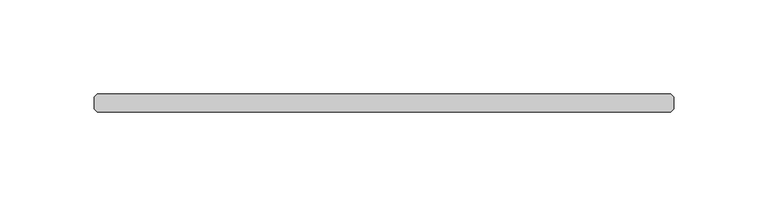
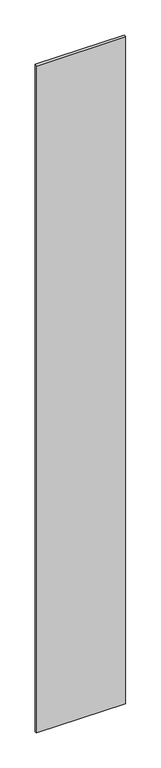
"""IFC4 building model written with IfcOpenShell, lengths in millimetres: plate geometry."""

import ifcopenshell
import ifcopenshell.guid

model = None  # the IFC model being written
_history = None  # IfcOwnerHistory: only IFC2X3 demands one
_inside = {}  # id of a spatial element -> (the spatial element, [elements in it])
_under = {}  # id of a project, library or spatial element -> (it, [spatial elements below it])
_declared = {}  # id of a project -> (the project, [libraries it declares])
_typed = {}  # id of a type object -> (the type object, [elements of that type])
_made_of = {}  # id of a material, layer set ... -> (it, [elements and type objects made of it])


def new_model(schema):
    """Start an empty IFC model of exactly this schema.

    Asked for "IFC4X3", IfcOpenShell would pick the latest addendum, in which some entities
    have other attributes; the version numbers below select the first issue.
    IFC2X3 requires an IfcOwnerHistory on every rooted entity: one is made here for all.
    """
    global model, _history
    if schema == "IFC4X3":
        model = ifcopenshell.file(schema_version=(4, 3, 0, 0))
    else:
        model = ifcopenshell.file(schema=schema)
    _inside.clear()
    _under.clear()
    _declared.clear()
    _typed.clear()
    _made_of.clear()
    _history = None
    if model.schema == "IFC2X3":
        org = make("IfcOrganization", Name="unknown")
        user = make(
            "IfcPersonAndOrganization",
            ThePerson=make("IfcPerson", FamilyName="unknown"),
            TheOrganization=org,
        )
        app = make(
            "IfcApplication",
            ApplicationDeveloper=org,
            Version="unknown",
            ApplicationFullName="unknown",
            ApplicationIdentifier="unknown",
        )
        _history = make(
            "IfcOwnerHistory",
            OwningUser=user,
            OwningApplication=app,
            ChangeAction="ADDED",
            CreationDate=0,
        )
    return model


def make(cls, **values):
    """One entity of the class cls with the attributes given. An attribute that is None is left unset."""
    return model.create_entity(
        cls, **{name: value for name, value in values.items() if value is not None}
    )


def rooted(cls, **values):
    """An entity with a GlobalId (a new one), such as an element, a storey or a relation."""
    return make(cls, GlobalId=ifcopenshell.guid.new(), OwnerHistory=_history, **values)


def si_unit(unit_type, name, prefix=None):
    """IfcSIUnit, for example si_unit("LENGTHUNIT", "METRE", prefix="MILLI")."""
    return make("IfcSIUnit", UnitType=unit_type, Prefix=prefix, Name=name)


def assignment(units):
    """IfcUnitAssignment: the units of a project."""
    return None if units is None else make("IfcUnitAssignment", Units=units)


def point(xyz):
    """IfcCartesianPoint."""
    return None if xyz is None else make("IfcCartesianPoint", Coordinates=xyz)


def direction(xyz):
    """IfcDirection."""
    return None if xyz is None else make("IfcDirection", DirectionRatios=xyz)


def frame(location, z_axis=None, x_axis=None):
    """IfcAxis2Placement3D, a coordinate frame: its origin and axes. An axis left out is left unset."""
    return make(
        "IfcAxis2Placement3D",
        Location=point(location),
        Axis=direction(z_axis),
        RefDirection=direction(x_axis),
    )


def origin():
    """The frame at (0, 0, 0) with its axes left unset."""
    return frame((0.0, 0.0, 0.0))


def origin_with_axes():
    """The frame at (0, 0, 0) with the z axis (0, 0, 1) and the x axis (1, 0, 0) written out."""
    return frame((0.0, 0.0, 0.0), z_axis=(0.0, 0.0, 1.0), x_axis=(1.0, 0.0, 0.0))


def place(relative_to, where):
    """IfcLocalPlacement: puts the frame where relative to a parent placement (None: the world)."""
    return make(
        "IfcLocalPlacement", PlacementRelTo=relative_to, RelativePlacement=where
    )


def context(
    kind, dimensions, precision=None, world=None, true_north=None, identifier=None
):
    """IfcGeometricRepresentationContext, for example the 3D "Model" context."""
    return make(
        "IfcGeometricRepresentationContext",
        ContextIdentifier=identifier,
        ContextType=kind,
        CoordinateSpaceDimension=dimensions,
        Precision=precision,
        WorldCoordinateSystem=world,
        TrueNorth=true_north,
    )


def project(units=None, contexts=None):
    """IfcProject with its units and contexts."""
    return rooted(
        "IfcProject",
        Name="project",
        RepresentationContexts=contexts,
        UnitsInContext=assignment(units),
    )


def spatial(cls, under=None, at=None, **own):
    """A site, building, storey or space (cls), placed at a placement, below another one or the project."""
    s = rooted(cls, ObjectPlacement=at, **own)
    if under is not None:
        _under.setdefault(under.id(), (under, []))[1].append(s)
    return s


def polyline(points):
    """IfcPolyline through the points."""
    return make("IfcPolyline", Points=[point(p) for p in points])


def outline(outer, holes=None, kind="AREA"):
    """IfcArbitraryClosedProfileDef: a profile drawn as a closed curve; with holes, ...WithVoids."""
    if holes is None:
        return make("IfcArbitraryClosedProfileDef", ProfileType=kind, OuterCurve=outer)
    return make(
        "IfcArbitraryProfileDefWithVoids",
        ProfileType=kind,
        OuterCurve=outer,
        InnerCurves=holes,
    )


def extrude(swept, where, along, depth):
    """IfcExtrudedAreaSolid: the profile swept, set in the frame where, extruded along a direction by depth."""
    return make(
        "IfcExtrudedAreaSolid",
        SweptArea=swept,
        Position=where,
        ExtrudedDirection=direction(along),
        Depth=depth,
    )


def shape(context_of_items, identifier, shape_type, items):
    """IfcShapeRepresentation: the items that make up one representation, for example the "Body"."""
    return make(
        "IfcShapeRepresentation",
        ContextOfItems=context_of_items,
        RepresentationIdentifier=identifier,
        RepresentationType=shape_type,
        Items=items,
    )


def source(mapping_origin, context_of_items, identifier, shape_type, items):
    """IfcRepresentationMap: a shape defined once, which mapped items show again and again."""
    return make(
        "IfcRepresentationMap",
        MappingOrigin=mapping_origin,
        MappedRepresentation=shape(context_of_items, identifier, shape_type, items),
    )


def transform(
    local_origin,
    x_axis=None,
    y_axis=None,
    z_axis=None,
    scale=None,
    scale2=None,
    scale3=None,
    uniform=True,
):
    """IfcCartesianTransformationOperator3D, or its non-uniform kind. x_axis, y_axis, z_axis: its Axis1, 2, 3."""
    if uniform:
        return make(
            "IfcCartesianTransformationOperator3D",
            Axis1=direction(x_axis),
            Axis2=direction(y_axis),
            LocalOrigin=point(local_origin),
            Scale=scale,
            Axis3=direction(z_axis),
        )
    return make(
        "IfcCartesianTransformationOperator3DnonUniform",
        Axis1=direction(x_axis),
        Axis2=direction(y_axis),
        LocalOrigin=point(local_origin),
        Scale=scale,
        Axis3=direction(z_axis),
        Scale2=scale2,
        Scale3=scale3,
    )


def mapped(mapping_source, mapping_target):
    """IfcMappedItem: shows the shape of a source again, moved by a transform."""
    return make(
        "IfcMappedItem", MappingSource=mapping_source, MappingTarget=mapping_target
    )


def made_of(thing, what):
    """Note that an element or type object is made of a material, layer set ...; save() writes the relation."""
    if what is not None:
        _made_of.setdefault(what.id(), (what, []))[1].append(thing)
    return thing


def element(
    cls,
    number,
    at=None,
    inside=None,
    cuts=None,
    type_object=None,
    material=None,
    context=None,
    identifier="Body",
    shape_type=None,
    held_by="IfcProductDefinitionShape",
    body=None,
    shapes=None,
    **own,
):
    """One element of the class cls, such as IfcWall. Its Tag is "e" and its number.

    at: its placement. inside: the storey or other place that contains it. cuts: it is an
    opening in that element (IfcRelVoidsElement). A single representation is given by context,
    identifier, shape_type and body (its items); several are given by shapes. held_by: the class
    of the entity that holds the representations. save() writes the other relations.
    """
    e = rooted(cls, Tag="e%d" % number, ObjectPlacement=at, **own)
    if body is not None:
        shapes = [shape(context, identifier, shape_type, body)]
    if shapes is not None:
        e.Representation = make(held_by, Representations=shapes)
    if inside is not None:
        _inside.setdefault(inside.id(), (inside, []))[1].append(e)
    if cuts is not None:
        rooted(
            "IfcRelVoidsElement", RelatingBuildingElement=cuts, RelatedOpeningElement=e
        )
    if type_object is not None:
        _typed.setdefault(type_object.id(), (type_object, []))[1].append(e)
    return made_of(e, material)


def aggregate(whole, parts):
    """IfcRelAggregates: a whole, such as a stair, and the parts it consists of."""
    return rooted("IfcRelAggregates", RelatingObject=whole, RelatedObjects=parts)


def save(model, path):
    """Write the relations noted so far, then the file.

    IfcRelAggregates (storeys below a building ...), IfcRelContainedInSpatialStructure (elements
    in a storey), IfcRelDefinesByType, IfcRelAssociatesMaterial and IfcRelDeclares: one each for
    every whole, place, type object, material and project.
    """
    for whole, parts in _under.values():
        aggregate(whole, parts)
    for where, things in _inside.values():
        rooted(
            "IfcRelContainedInSpatialStructure",
            RelatedElements=things,
            RelatingStructure=where,
        )
    for kind, things in _typed.values():
        rooted("IfcRelDefinesByType", RelatedObjects=things, RelatingType=kind)
    for what, things in _made_of.values():
        rooted("IfcRelAssociatesMaterial", RelatedObjects=things, RelatingMaterial=what)
    for by, libraries in _declared.values():
        rooted("IfcRelDeclares", RelatingContext=by, RelatedDefinitions=libraries)
    model.write(path)


def plate_b7a16397(model_context):
    return source(origin(), model_context, "Body", "SweptSolid", [
        extrude(outline(polyline([(152.003125, -34.925), (-152.003125, -34.925), (-153.590625, -33.3375), (-153.590625, -26.9875), (-152.003125, -25.4), (152.003125, -25.4), (153.590625, -26.9875), (153.590625, -33.3375), (152.003125, -34.925)])), origin_with_axes(), (0.0, 0.0, 1.0), 2417.075),
    ])


if __name__ == "__main__":
    model = new_model("IFC4")
    model_context = context("Model", 3, world=origin())
    ifc_project = project(units=[si_unit("LENGTHUNIT", "METRE", prefix="MILLI")], contexts=[model_context])
    site = spatial("IfcSite", under=ifc_project)
    building = spatial("IfcBuilding", under=site)
    placement = place(None, origin())
    plate_shape = plate_b7a16397(model_context)
    element("IfcPlate", 1, at=placement, inside=building, context=model_context, shape_type="MappedRepresentation", body=[
        mapped(plate_shape, transform((0.0, 0.0, 0.0), x_axis=(1.0, 0.0, 0.0), y_axis=(0.0, 1.0, 0.0), z_axis=(0.0, 0.0, 1.0))),
    ])
    save(model, "model.ifc")
